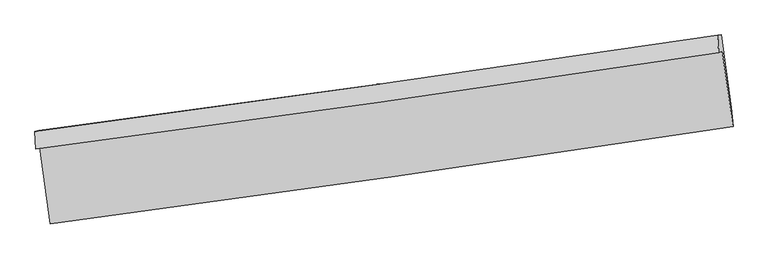
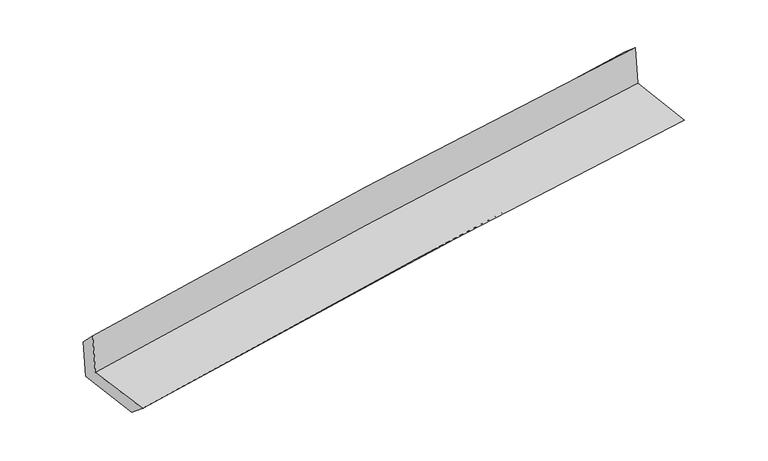
"""IFC4 building model written with IfcOpenShell, lengths in millimetres: proxy geometry."""

from ifc_helpers import new_model, si_unit, frame, origin, place, context, project, spatial, source, transform, mapped, element, save
from ifc_brep_helpers import plane_surface, spline_curve, spline_surface, advanced_brep


def generic_models_578832f0(model_context):
    return source(origin(), model_context, "Body", "AdvancedBrep", [
        advanced_brep(
        [(-3008.5369852, -1919.7942895, 1642.3676546), (-2916.3265042, -2588.0595163, 1631.894222), (3058.1182101, -1735.7911059, 2110.611051), (2964.0131011, -1077.8845013, 2136.8671487), (-3041.6547425, -1932.317594, 2055.5528743), (2932.0903027, -1090.0202521, 2535.3000458), (-3049.5276224, -1778.4533025, 1899.4953465), (2921.9694313, -937.9559879, 2403.5320833), (-3017.9628986, -1773.6323623, 1517.2216065), (2952.7277834, -933.2584317, 2031.212807), (-2927.2155474, -2421.3879406, 1490.8539485), (3044.1435386, -1572.1496592, 2005.353485)],
        [
            (0, 1),
            (1, 2, spline_curve(3, [(-2916.3265042, -2588.0595163, 1631.894222), (-1921.850495974, -2456.601542595, 1747.2082112), (-926.661759335, -2319.83788902, 1844.761841596), (1064.82027132, -2035.745000224, 2004.322674181), (2061.113106047, -1888.419183462, 2066.341320233), (3058.1182101, -1735.7911059, 2110.611051)], [4, 2, 4], [0.0, 9.932515455986648, 19.86183045240362])),
            (2, 3),
            (3, 0, spline_curve(3, [(2964.0131011, -1077.8845013, 2136.8671487), (1967.740479636, -1228.726787257, 2084.598256852), (971.971779989, -1374.296623809, 2017.264587714), (-1018.878573618, -1654.936619449, 1852.441136064), (-2013.959902704, -1790.003378926, 1754.941640552), (-3008.5369852, -1919.7942895, 1642.3676546)], [4, 2, 4], [0.0, 9.929314996416972, 19.86183045240362])),
            (4, 0),
            (3, 5),
            (5, 4, spline_curve(3, [(2932.0903027, -1090.0202521, 2535.3000458), (1935.196463843, -1241.065646092, 2490.721903266), (939.017557758, -1386.769338801, 2428.463192585), (-1052.231251793, -1667.53856348, 2268.558868042), (-2047.300693811, -1802.600651522, 2170.901855033), (-3041.6547425, -1932.317594, 2055.5528743)], [4, 2, 4], [0.0, 9.927670676472394, 19.858541282510178])),
            (6, 4),
            (5, 7),
            (7, 6, spline_curve(3, [(2921.9694313, -937.9559879, 2403.5320833), (1927.546865214, -1084.516879271, 2323.119776574), (932.791066612, -1227.828005283, 2240.917618314), (-1057.707736193, -1507.995872298, 2072.906526819), (-2053.450955725, -1644.850517588, 1987.096439227), (-3049.5276224, -1778.4533025, 1899.4953465)], [4, 2, 4], [0.0, 9.92624489358597, 19.85568925717285])),
            (8, 6),
            (7, 9),
            (9, 8, spline_curve(3, [(2952.7277834, -933.2584317, 2031.212807), (1958.165870565, -1079.840574751, 1952.45884053), (963.407563119, -1223.152049607, 1870.256714662), (-1026.822537403, -1503.278801949, 1698.928537969), (-2022.294457553, -1640.091970591, 1609.800263234), (-3017.9628986, -1773.6323623, 1517.2216065)], [4, 2, 4], [0.0, 9.925331674313561, 19.853862524275264])),
            (10, 8),
            (9, 11),
            (11, 10, spline_curve(3, [(3044.1435386, -1572.1496592, 2005.353485), (2049.964237958, -1723.509980941, 1926.382884237), (1055.341585276, -1869.949388111, 1844.030076318), (-935.111157435, -2153.031987739, 1672.532411802), (-1930.941533535, -2289.672008007, 1583.385373924), (-2927.2155474, -2421.3879406, 1490.8539485)], [4, 2, 4], [0.0, 9.92700671007393, 19.857213135700743])),
            (1, 10),
            (11, 2),
        ],
        [
            spline_surface(3, 3, [[(-3008.5369852, -1919.7942895, 1642.3676546), (-2013.959902823, -1790.003378865, 1754.941640462), (-1018.87857365, -1654.936619362, 1852.441136059), (971.971780021, -1374.296623896, 2017.264587719), (1967.740479616, -1228.726787281, 2084.598256797), (2964.0131011, -1077.8845013, 2136.8671487)], [(-2977.800158218, -2142.5493651, 1638.876510416), (-1983.256767248, -2012.202766742, 1752.363830675), (-988.139635546, -1876.570375904, 1849.88137122), (1002.921277129, -1594.77941601, 2012.950616545), (1998.864688422, -1448.624252708, 2078.512611207), (2995.381470762, -1297.186702837, 2128.115116114)], [(-2947.063331182, -2365.3044407, 1635.385366184), (-1952.553631619, -2234.402154618, 1749.78602084), (-957.400697453, -2098.204132455, 1847.3216064), (1033.870774226, -1815.262208133, 2008.636645389), (2029.988897241, -1668.521718125, 2072.426965675), (3026.749840438, -1516.488904363, 2119.363083586)], [(-2916.3265042, -2588.0595163, 1631.894222), (-1921.850496045, -2456.601542494, 1747.208211054), (-926.661759349, -2319.837888997, 1844.761841561), (1064.820271334, -2035.745000247, 2004.322674215), (2061.113106046, -1888.419183552, 2066.341320085), (3058.1182101, -1735.7911059, 2110.611051)]], [4, 4], [4, 2, 4], [0.0, 2.197110032820732], [0.0, 9.932515455986648, 19.86183045240362]),
            spline_surface(3, 3, [[(-3041.6547425, -1932.317594, 2055.5528743), (-2047.300693873, -1802.600651469, 2170.901855136), (-1052.231251701, -1667.5385635, 2268.55886819), (939.017557666, -1386.769338781, 2428.463192437), (1935.196463869, -1241.065646137, 2490.721903207), (2932.0903027, -1090.0202521, 2535.3000458)], [(-3030.61549004, -1928.143159157, 1917.824467719), (-2036.187096829, -1798.401560591, 2032.248450231), (-1041.113692358, -1663.337915445, 2129.852957461), (950.002298444, -1382.611767144, 2291.396990846), (1946.044469131, -1236.952693212, 2355.347354398), (2942.731235513, -1085.97500186, 2402.489080094)], [(-3019.57623766, -1923.968724343, 1780.096061181), (-2025.073499866, -1794.202469742, 1893.595045367), (-1029.996132994, -1659.137267417, 1991.147046788), (960.987039243, -1378.454195533, 2154.33078931), (1956.892474354, -1232.839740206, 2219.972805606), (2953.372168287, -1081.92975154, 2269.678114406)], [(-3008.5369852, -1919.7942895, 1642.3676546), (-2013.959902823, -1790.003378865, 1754.941640462), (-1018.87857365, -1654.936619362, 1852.441136059), (971.971780021, -1374.296623896, 2017.264587719), (1967.740479616, -1228.726787281, 2084.598256797), (2964.0131011, -1077.8845013, 2136.8671487)]], [4, 4], [4, 2, 4], [0.0, 1.362121897372119], [0.0, 9.930870606037784, 19.858541282510178]),
            spline_surface(3, 3, [[(-3049.5276224, -1778.4533025, 1899.4953465), (-2053.450955738, -1644.850517633, 1987.096439292), (-1057.707736312, -1507.995872205, 2072.90652678), (932.791066731, -1227.828005376, 2240.917618354), (1927.546865215, -1084.516879274, 2323.119776496), (2921.9694313, -937.9559879, 2403.5320833)], [(-3046.903329113, -1829.741399646, 1951.514522441), (-2051.400868463, -1697.433895558, 2048.364911248), (-1055.882241445, -1561.176769287, 2138.123973941), (934.866563706, -1280.808449827, 2303.43280974), (1930.096731437, -1136.699801533, 2378.987152093), (2925.343055105, -988.644075938, 2447.454737493)], [(-3044.279035787, -1881.029496854, 2003.533698359), (-2049.350781148, -1750.017273544, 2109.633383181), (-1054.056746569, -1614.357666419, 2203.341421029), (936.942060691, -1333.78889433, 2365.948001052), (1932.646597646, -1188.882723879, 2434.85452761), (2928.716678895, -1039.332164062, 2491.377391607)], [(-3041.6547425, -1932.317594, 2055.5528743), (-2047.300693873, -1802.600651469, 2170.901855136), (-1052.231251701, -1667.5385635, 2268.55886819), (939.017557666, -1386.769338781, 2428.463192437), (1935.196463869, -1241.065646137, 2490.721903207), (2932.0903027, -1090.0202521, 2535.3000458)]], [4, 4], [4, 2, 4], [0.0, 0.81760049809219], [0.0, 9.929444363586878, 19.85568925717285]),
            spline_surface(3, 3, [[(-3017.9628986, -1773.6323623, 1517.2216065), (-2022.294457621, -1640.091970554, 1609.800263363), (-1026.822537501, -1503.27880193, 1698.928537836), (963.407563217, -1223.152049626, 1870.256714795), (1958.16587041, -1079.840574715, 1952.458840486), (2952.7277834, -933.2584317, 2031.212807)], [(-3028.484473192, -1775.239342393, 1644.646186512), (-2032.679956985, -1641.678152941, 1735.565655351), (-1037.117603783, -1504.8511587, 1823.587867489), (953.202064376, -1224.710701554, 1993.81034932), (1947.959535337, -1081.399342924, 2076.012485819), (2942.474999359, -934.82428379, 2155.31923243)], [(-3039.006047808, -1776.846322407, 1772.070766488), (-2043.065456373, -1643.264335247, 1861.331047304), (-1047.41267003, -1506.423515435, 1948.247197127), (942.996565571, -1226.269353448, 2117.36398383), (1937.753200287, -1082.958111065, 2199.566131163), (2932.222215341, -936.39013581, 2279.42565787)], [(-3049.5276224, -1778.4533025, 1899.4953465), (-2053.450955738, -1644.850517633, 1987.096439292), (-1057.707736312, -1507.995872205, 2072.90652678), (932.791066731, -1227.828005376, 2240.917618354), (1927.546865215, -1084.516879274, 2323.119776496), (2921.9694313, -937.9559879, 2403.5320833)]], [4, 4], [4, 2, 4], [0.0, 1.2257783497244763], [0.0, 9.928530849961703, 19.853862524275264]),
            spline_surface(3, 3, [[(-2927.2155474, -2421.3879406, 1490.8539485), (-1930.941533615, -2289.672007952, 1583.385374005), (-935.111157479, -2153.031987877, 1672.53241165), (1055.34158532, -1869.949387973, 1844.030076471), (2049.964237881, -1723.509980912, 1926.38288431), (3044.1435386, -1572.1496592, 2005.353485)], [(-2957.464664491, -2205.469414494, 1499.643167813), (-1961.392508308, -2073.145328814, 1592.190337104), (-965.68161747, -1936.447592547, 1681.331120377), (1024.696911303, -1654.350275176, 1852.772289245), (2019.364782059, -1508.953512175, 1935.074869675), (3013.671620201, -1359.185916695, 2013.973258973)], [(-2987.713781509, -1989.550888406, 1508.432387187), (-1991.843482928, -1856.618649693, 1600.995300264), (-996.252077511, -1719.86319726, 1690.129829108), (994.052237234, -1438.751162423, 1861.514502021), (1988.765326232, -1294.397043452, 1943.766855121), (2983.199701799, -1146.222174205, 2022.593033027)], [(-3017.9628986, -1773.6323623, 1517.2216065), (-2022.294457621, -1640.091970554, 1609.800263363), (-1026.822537501, -1503.27880193, 1698.928537836), (963.407563217, -1223.152049626, 1870.256714795), (1958.16587041, -1079.840574715, 1952.458840486), (2952.7277834, -933.2584317, 2031.212807)]], [4, 4], [4, 2, 4], [0.0, 2.1498518600635506], [0.0, 9.930206425626812, 19.857213135700743]),
            spline_surface(3, 3, [[(-2916.3265042, -2588.0595163, 1631.894222), (-1921.850496045, -2456.601542494, 1747.208211054), (-926.661759349, -2319.837888997, 1844.761841561), (1064.820271334, -2035.745000247, 2004.322674215), (2061.113106046, -1888.419183552, 2066.341320085), (3058.1182101, -1735.7911059, 2110.611051)], [(-2919.956185246, -2532.502324409, 1584.880797499), (-1924.880841881, -2400.958364323, 1692.600598702), (-929.478225392, -2264.235921988, 1787.352031588), (1061.66070933, -1980.479796187, 1950.891808297), (2057.396816651, -1833.44944932, 2019.68850819), (3053.45998626, -1681.243956981, 2075.525195696)], [(-2923.585866354, -2476.945132491, 1537.867373001), (-1927.911187779, -2345.315186124, 1637.992986356), (-932.294691437, -2208.633954886, 1729.942221623), (1058.501147324, -1925.214592033, 1897.460942389), (2053.680527276, -1778.479715145, 1973.035696206), (3048.80176244, -1626.696808119, 2040.439340304)], [(-2927.2155474, -2421.3879406, 1490.8539485), (-1930.941533615, -2289.672007952, 1583.385374005), (-935.111157479, -2153.031987877, 1672.53241165), (1055.34158532, -1869.949387973, 1844.030076471), (2049.964237881, -1723.509980912, 1926.38288431), (3044.1435386, -1572.1496592, 2005.353485)]], [4, 4], [4, 2, 4], [0.0, 0.7720765804105], [0.0, 9.932816236654926, 19.862431916822494]),
            plane_surface(frame((2978.8437279, -1224.5099897, 2203.8127701), z_axis=(0.9869466900276903, 0.1378467449359629, 0.08327368103996564), x_axis=(-0.08232585362384999, -0.012573181041398707, 0.996526150657174))),
            plane_surface(frame((-2993.5373834, -2068.9408342, 1706.2309421), z_axis=(-0.9873527691256041, -0.13493532662062435, -0.08322840218211074), x_axis=(-0.13667324680587004, 0.9904945439775148, 0.015523593601900023))),
        ],
        [
            (0, [[1, 2, 3, 4]]),
            (1, [[5, -4, 6, 7]]),
            (2, [[8, -7, 9, 10]]),
            (3, [[11, -10, 12, 13]]),
            (4, [[14, -13, 15, 16]]),
            (5, [[17, -16, 18, -2]]),
            (6, [[-12, -9, -6, -3, -18, -15]]),
            (7, [[-1, -5, -8, -11, -14, -17]]),
        ],
    ),
    ])


if __name__ == "__main__":
    model = new_model("IFC4")
    model_context = context("Model", 3, world=origin())
    ifc_project = project(units=[si_unit("LENGTHUNIT", "METRE", prefix="MILLI")], contexts=[model_context])
    site = spatial("IfcSite", under=ifc_project)
    building = spatial("IfcBuilding", under=site)
    placement = place(None, origin())
    generic_models_shape = generic_models_578832f0(model_context)
    element("IfcBuildingElementProxy", 1, Name="Generic Models", at=placement, inside=building, context=model_context, shape_type="MappedRepresentation", body=[
        mapped(generic_models_shape, transform((0.0, 0.0, 0.0), x_axis=(1.0, 0.0, 0.0), y_axis=(0.0, 1.0, 0.0), z_axis=(0.0, 0.0, 1.0))),
    ])
    save(model, "model.ifc")
